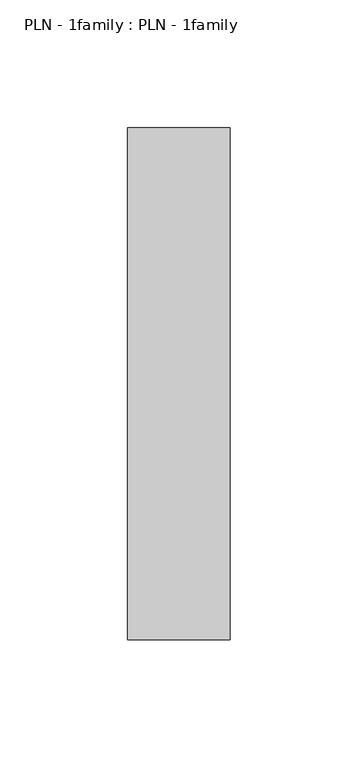
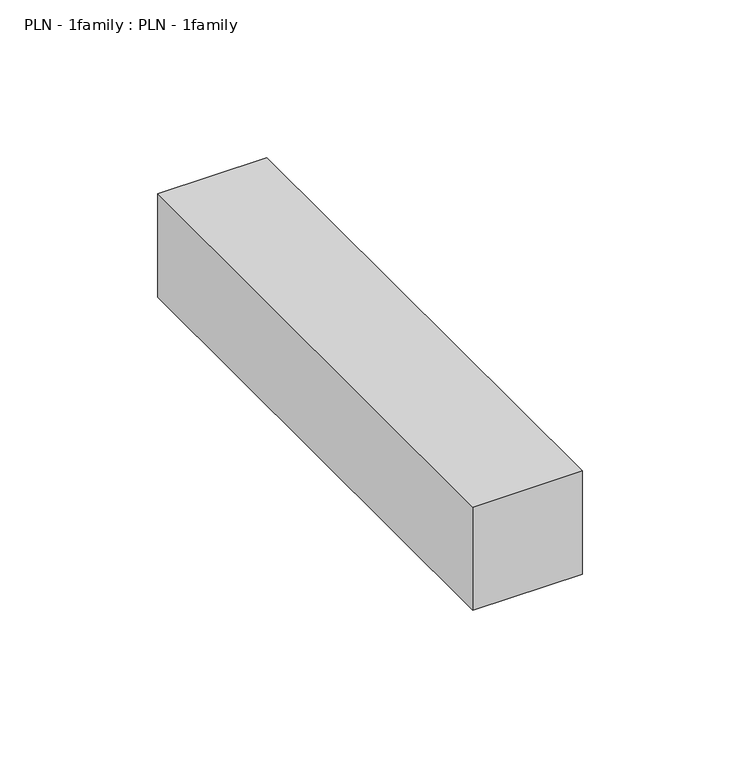
"""IFC4 building model written with IfcOpenShell, lengths in millimetres: proxy geometry, PLN - 1family : PLN - 1family."""

from ifc_helpers import new_model, si_unit, frame, origin, place, context, project, spatial, polyline, outline, extrude, source, transform, mapped, element, save


def pln_1family_pln_1family_0d1576dd(model_context):
    return source(origin(), model_context, "Body", "SweptSolid", [
        extrude(outline(polyline([(0.0, 200.0), (40.0, 200.0), (40.0, 0.0), (0.0, 0.0), (0.0, 200.0)])), frame((0.0, 0.0, 100.0), z_axis=(0.0, 0.0, 1.0), x_axis=(1.0, 0.0, 0.0)), (0.0, 0.0, 1.0), 40.0),
    ])


if __name__ == "__main__":
    model = new_model("IFC4")
    model_context = context("Model", 3, world=origin())
    ifc_project = project(units=[si_unit("LENGTHUNIT", "METRE", prefix="MILLI")], contexts=[model_context])
    site = spatial("IfcSite", under=ifc_project)
    building = spatial("IfcBuilding", under=site)
    placement = place(None, origin())
    pln_1family_pln_1family_shape = pln_1family_pln_1family_0d1576dd(model_context)
    element("IfcBuildingElementProxy", 1, Name="PLN - 1family : PLN - 1family", ObjectType="PLN - 1family : PLN - 1family", at=placement, inside=building, context=model_context, shape_type="MappedRepresentation", body=[
        mapped(pln_1family_pln_1family_shape, transform((0.0, 0.0, 0.0), x_axis=(1.0, 0.0, 0.0), y_axis=(0.0, 1.0, 0.0), z_axis=(0.0, 0.0, 1.0))),
    ])
    save(model, "model.ifc")
